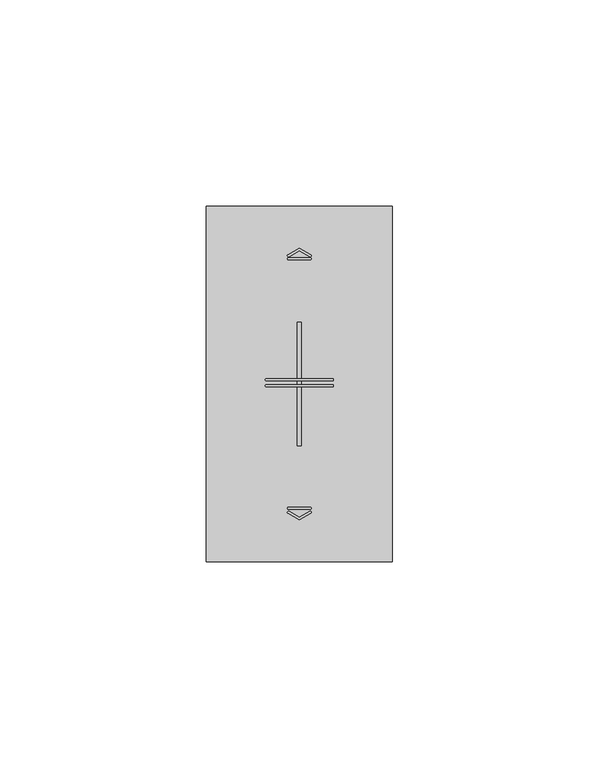
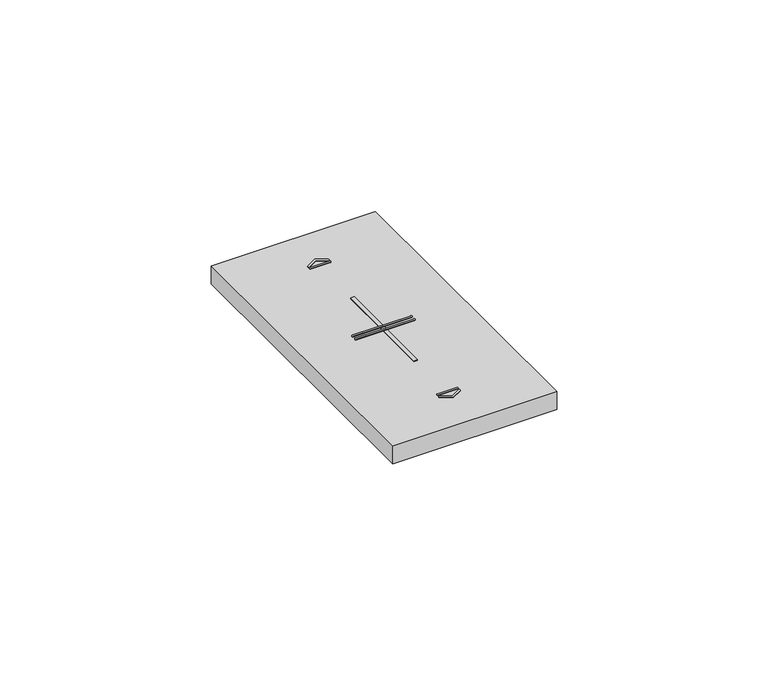
"""IFC4 building model written with IfcOpenShell, lengths in millimetres: proxy geometry."""

from ifc_helpers import new_model, si_unit, point, frame, frame_2d, origin, place, context, project, spatial, polyline, circle_curve, trimmed, segment, composite_curve, outline, extrude, source, transform, mapped, element, save


def electrical_fixtures_27d4999e(model_context):
    return source(origin(), model_context, "Body", "SweptSolid", [
        extrude(outline(composite_curve([segment(polyline([(19.7592079, 74.3175033), (22.5, 75.8674578), (25.2407962, 74.3175011)]), True, "CONTINUOUS"), segment(trimmed(circle_curve(frame_2d((25.108088, 74.0828325)), 0.2695938), [point((25.2407962, 74.3175011))], [point((24.9753797, 73.8481639))], False, "CARTESIAN"), True, "CONTINUOUS"), segment(polyline([(24.9753797, 73.8481639), (22.5, 75.2480241), (20.0246243, 73.8481662)]), True, "CONTINUOUS"), segment(trimmed(circle_curve(frame_2d((19.8919161, 74.0828348)), 0.2695938), [point((20.0246243, 73.8481662))], [point((19.7592079, 74.3175033))], False, "CARTESIAN"), True, "CONTINUOUS")], self_intersect=False)), frame((0.0, 0.0, 10.7), z_axis=(0.0, 0.0, 1.0), x_axis=(1.0, 0.0, 0.0)), (0.0, 0.0, 1.0), 0.1652311),
        extrude(outline(composite_curve([segment(polyline([(14.4966743, 44.2699983), (30.5033298, 44.2699983)]), True, "CONTINUOUS"), segment(trimmed(circle_curve(frame_2d((30.5033298, 44.0206464)), 0.249352), [point((30.5033298, 44.2699983))], [point((30.5033298, 43.7712944))], False, "CARTESIAN"), True, "CONTINUOUS"), segment(polyline([(30.5033298, 43.7712944), (14.4966743, 43.7712944)]), True, "CONTINUOUS"), segment(trimmed(circle_curve(frame_2d((14.4966743, 44.0206464)), 0.249352), [point((14.4966743, 43.7712944))], [point((14.4966743, 44.2699983))], False, "CARTESIAN"), True, "CONTINUOUS")], self_intersect=False)), frame((0.0, 0.0, 10.7), z_axis=(0.0, 0.0, 1.0), x_axis=(1.0, 0.0, 0.0)), (0.0, 0.0, 1.0), 0.1652311),
        extrude(outline(composite_curve([segment(trimmed(circle_curve(frame_2d((19.8919161, 11.9171652)), 0.2695938), [point((19.7592079, 11.6824967))], [point((20.0246243, 12.1518338))], False, "CARTESIAN"), True, "CONTINUOUS"), segment(polyline([(20.0246243, 12.1518338), (22.5, 10.7519759), (24.9753797, 12.1518361)]), True, "CONTINUOUS"), segment(trimmed(circle_curve(frame_2d((25.108088, 11.9171675)), 0.2695938), [point((24.9753797, 12.1518361))], [point((25.2407962, 11.6824989))], False, "CARTESIAN"), True, "CONTINUOUS"), segment(polyline([(25.2407962, 11.6824989), (22.5, 10.1325422), (19.7592079, 11.6824967)]), True, "CONTINUOUS")], self_intersect=False)), frame((0.0, 0.0, 10.7), z_axis=(0.0, 0.0, 1.0), x_axis=(1.0, 0.0, 0.0)), (0.0, 0.0, 1.0), 0.1652311),
        extrude(outline(composite_curve([segment(trimmed(circle_curve(frame_2d((19.8716743, 12.9232302)), 0.249352), [point((19.8716743, 12.6738782))], [point((19.8716743, 13.1725821))], False, "CARTESIAN"), True, "CONTINUOUS"), segment(polyline([(19.8716743, 13.1725821), (25.1283298, 13.1725821)]), True, "CONTINUOUS"), segment(trimmed(circle_curve(frame_2d((25.1283298, 12.9232302)), 0.249352), [point((25.1283298, 13.1725821))], [point((25.1283298, 12.6738782))], False, "CARTESIAN"), True, "CONTINUOUS"), segment(polyline([(25.1283298, 12.6738782), (19.8716743, 12.6738782)]), True, "CONTINUOUS")], self_intersect=False)), frame((0.0, 0.0, 10.7), z_axis=(0.0, 0.0, 1.0), x_axis=(1.0, 0.0, 0.0)), (0.0, 0.0, 1.0), 0.1652311),
        extrude(outline(composite_curve([segment(polyline([(14.4966743, 42.840784), (30.5033298, 42.840784)]), True, "CONTINUOUS"), segment(trimmed(circle_curve(frame_2d((30.5033298, 42.591432)), 0.249352), [point((30.5033298, 42.840784))], [point((30.5033298, 42.34208))], False, "CARTESIAN"), True, "CONTINUOUS"), segment(polyline([(30.5033298, 42.34208), (14.4966743, 42.34208)]), True, "CONTINUOUS"), segment(trimmed(circle_curve(frame_2d((14.4966743, 42.591432)), 0.249352), [point((14.4966743, 42.34208))], [point((14.4966743, 42.840784))], False, "CARTESIAN"), True, "CONTINUOUS")], self_intersect=False)), frame((0.0, 0.0, 10.7), z_axis=(0.0, 0.0, 1.0), x_axis=(1.0, 0.0, 0.0)), (0.0, 0.0, 1.0), 0.1652311),
        extrude(outline(composite_curve([segment(trimmed(circle_curve(frame_2d((19.8716743, 73.3138552)), 0.249352), [point((19.8716743, 73.0645032))], [point((19.8716743, 73.5632071))], False, "CARTESIAN"), True, "CONTINUOUS"), segment(polyline([(19.8716743, 73.5632071), (25.1283298, 73.5632071)]), True, "CONTINUOUS"), segment(trimmed(circle_curve(frame_2d((25.1283298, 73.3138552)), 0.249352), [point((25.1283298, 73.5632071))], [point((25.1283298, 73.0645032))], False, "CARTESIAN"), True, "CONTINUOUS"), segment(polyline([(25.1283298, 73.0645032), (19.8716743, 73.0645032)]), True, "CONTINUOUS")], self_intersect=False)), frame((0.0, 0.0, 10.7), z_axis=(0.0, 0.0, 1.0), x_axis=(1.0, 0.0, 0.0)), (0.0, 0.0, 1.0), 0.1652311),
        extrude(outline(polyline([(22.0, 58.0), (23.0, 58.0), (23.0, 28.0), (22.0, 28.0), (22.0, 58.0)])), frame((0.0, 0.0, 5.5), z_axis=(0.0, 0.0, 1.0), x_axis=(1.0, 0.0, 0.0)), (0.0, 0.0, 1.0), 5.2),
        extrude(outline(polyline([(0.0, 0.0), (0.0, 86.0), (45.0, 86.0), (45.0, 0.0), (0.0, 0.0)]), holes=[polyline([(22.0, 58.0), (22.0, 28.0), (23.0, 28.0), (23.0, 58.0), (22.0, 58.0)])]), frame((0.0, 0.0, 5.5), z_axis=(0.0, 0.0, 1.0), x_axis=(1.0, 0.0, 0.0)), (0.0, 0.0, 1.0), 5.2),
    ])


if __name__ == "__main__":
    model = new_model("IFC4")
    model_context = context("Model", 3, world=origin())
    ifc_project = project(units=[si_unit("LENGTHUNIT", "METRE", prefix="MILLI")], contexts=[model_context])
    site = spatial("IfcSite", under=ifc_project)
    building = spatial("IfcBuilding", under=site)
    placement = place(None, origin())
    electrical_fixtures_shape = electrical_fixtures_27d4999e(model_context)
    element("IfcBuildingElementProxy", 1, Name="Electrical Fixtures", at=placement, inside=building, context=model_context, shape_type="MappedRepresentation", body=[
        mapped(electrical_fixtures_shape, transform((0.0, 0.0, 0.0), x_axis=(1.0, 0.0, 0.0), y_axis=(0.0, 1.0, 0.0), z_axis=(0.0, 0.0, 1.0))),
    ])
    save(model, "model.ifc")
